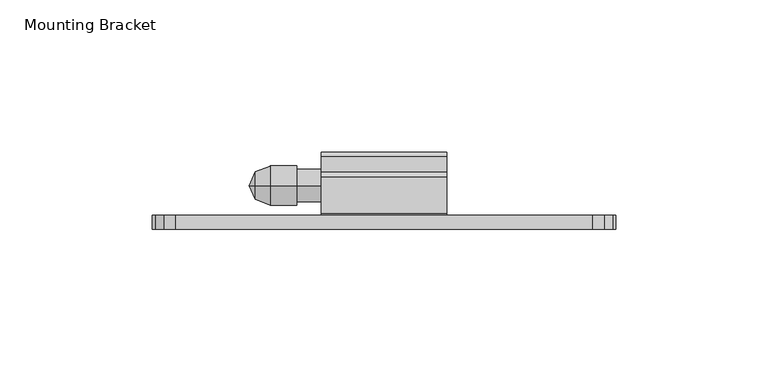
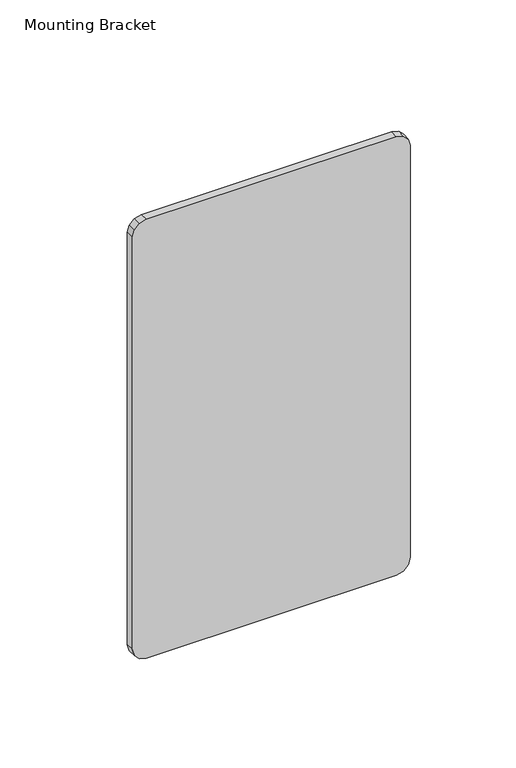
"""IFC4 building model written with IfcOpenShell, lengths in millimetres: furniture geometry, Mounting Bracket."""

from ifc_helpers import new_model, si_unit, frame, origin, place, context, project, spatial, polyline, circle_curve, outline, extrude, source, transform, mapped, element, save
from ifc_brep_helpers import plane_surface, cylinder_surface, revolved_surface, advanced_brep


def mounting_bracket_0c34e352(model_context):
    return source(origin(), model_context, "Body", "SolidModel", [
        extrude(outline(polyline([(1404.3981125, 636.9192799), (1404.3981125, 499.7592835), (1403.3772241, 495.9492826), (1400.5881116, 493.1601678), (1396.7781107, 492.1392863), (1158.0181158, 492.1392863), (1154.2081195, 493.1601678), (1151.418991, 495.9492826), (1150.3981049, 499.7592835), (1150.3981049, 636.9192799), (1151.418991, 640.7292808), (1154.2081195, 643.5183956), (1158.0181158, 644.5392817), (1396.7781107, 644.5392817), (1400.5881116, 643.5183956), (1403.3772241, 640.7292808), (1404.3981125, 636.9192799)])), frame((0.0, -1267.5959292, 0.0), z_axis=(0.0, 1.0, 0.0), x_axis=(0.0, 0.0, 1.0)), (0.0, 0.0, 1.0), 4.5973995),
        advanced_brep(
        [(526.0628515, -1253.1852, 1330.2200571), (526.0628515, -1253.1852, 1339.3740087), (530.8753712, -1253.1852, 1341.269855), (530.8753712, -1253.1852, 1328.3242108), (539.6258568, -1253.1852, 1341.269855), (539.6258568, -1253.1852, 1328.3242108), (539.6258568, -1253.1852, 1340.1598483), (539.6258568, -1253.1852, 1329.4342175), (547.6881167, -1253.1852, 1340.1598483), (547.6881167, -1253.1852, 1329.4342175), (547.6881167, -1253.1852, 1334.7970329), (524.0694412, -1253.1852, 1334.7970329)],
        [
            (0, 1, circle_curve(frame((526.0628515, -1253.1852, 1334.7970329), z_axis=(1.0, 0.0, 0.0), x_axis=(0.0, 0.0, 1.0)), 4.5769758)),
            (1, 2),
            (2, 3, circle_curve(frame((530.8753712, -1253.1852, 1334.7970329), z_axis=(-1.0, 0.0, 0.0), x_axis=(0.0, 0.0, 1.0)), 6.4728221)),
            (3, 0),
            (1, 0, circle_curve(frame((526.0628515, -1253.1852, 1334.7970329), z_axis=(1.0, 0.0, 0.0), x_axis=(0.0, 0.0, 1.0)), 4.5769758)),
            (3, 2, circle_curve(frame((530.8753712, -1253.1852, 1334.7970329), z_axis=(-1.0, 0.0, 0.0), x_axis=(0.0, 0.0, 1.0)), 6.4728221)),
            (2, 4),
            (4, 5, circle_curve(frame((539.6258568, -1253.1852, 1334.7970329), z_axis=(-1.0, 0.0, 0.0), x_axis=(0.0, 0.0, 1.0)), 6.4728221)),
            (5, 3),
            (5, 4, circle_curve(frame((539.6258568, -1253.1852, 1334.7970329), z_axis=(-1.0, 0.0, 0.0), x_axis=(0.0, 0.0, 1.0)), 6.4728221)),
            (4, 6),
            (6, 7, circle_curve(frame((539.6258568, -1253.1852, 1334.7970329), z_axis=(-1.0, 0.0, 0.0), x_axis=(0.0, 0.0, 1.0)), 5.3628154)),
            (7, 5),
            (7, 6, circle_curve(frame((539.6258568, -1253.1852, 1334.7970329), z_axis=(-1.0, 0.0, 0.0), x_axis=(0.0, 0.0, 1.0)), 5.3628154)),
            (6, 8),
            (8, 9, circle_curve(frame((547.6881167, -1253.1852, 1334.7970329), z_axis=(-1.0, 0.0, 0.0), x_axis=(0.0, 0.0, 1.0)), 5.3628154)),
            (9, 7),
            (9, 8, circle_curve(frame((547.6881167, -1253.1852, 1334.7970329), z_axis=(-1.0, 0.0, 0.0), x_axis=(0.0, 0.0, 1.0)), 5.3628154)),
            (8, 10),
            (10, 9),
            (11, 1),
            (0, 11),
        ],
        [
            revolved_surface(polyline([(530.8753712, -1253.1852, 1341.269855), (526.0628515, -1253.1852, 1339.3740087)]), (524.0694412, -1253.1852, 1334.7970329), (-1.0, 0.0, 0.0)),
            cylinder_surface(frame((524.0694412, -1253.1852, 1334.7970329), z_axis=(-1.0, 0.0, 0.0), x_axis=(0.0, 0.0, 1.0)), 6.4728221),
            plane_surface(frame((539.6258568, -1253.1852, 1334.7970329), z_axis=(1.0, 0.0, 0.0), x_axis=(0.0, 0.0, 1.0))),
            cylinder_surface(frame((524.0694412, -1253.1852, 1334.7970329), z_axis=(-1.0, 0.0, 0.0), x_axis=(0.0, 0.0, 1.0)), 5.3628154),
            plane_surface(frame((547.6881167, -1253.1852, 1334.7970329), z_axis=(1.0, 0.0, 0.0), x_axis=(0.0, 0.0, 1.0))),
            revolved_surface(polyline([(526.0628515, -1253.1852, 1339.3740087), (524.0694412, -1253.1852, 1334.7970329)]), (524.0694412, -1253.1852, 1334.7970329), (-1.0, 0.0, 0.0)),
        ],
        [
            (0, [[1, 2, 3, 4]]),
            (0, [[5, -4, 6, -2]]),
            (1, [[-3, 7, 8, 9]]),
            (1, [[-6, -9, 10, -7]]),
            (2, [[-8, 11, 12, 13]]),
            (2, [[-10, -13, 14, -11]]),
            (3, [[-12, 15, 16, 17]]),
            (3, [[-14, -17, 18, -15]]),
            (4, [[-16, 19, 20]]),
            (4, [[-18, -20, -19]]),
            (5, [[21, -1, 22]]),
            (5, [[-22, -5, -21]]),
        ],
    ),
        extrude(outline(polyline([(-1250.3046945, 1385.3735118), (-1248.7298945, 1383.7987112), (-1248.7298945, 1379.0489115), (-1249.5126046, 1376.6845541), (-1251.5515106, 1375.2542803), (-1254.041105, 1375.3231465), (-1255.997826, 1376.8639459), (-1257.4420942, 1376.429754), (-1257.4420942, 1346.6953437), (-1256.8467817, 1346.1000312), (-1243.7705444, 1346.1000312), (-1242.1957445, 1344.5252318), (-1242.1957445, 1325.09931), (-1243.7705444, 1323.5245106), (-1261.4235441, 1323.5245106), (-1262.9985297, 1325.0994962), (-1262.9985297, 1384.7746541), (-1262.399672, 1385.3735118), (-1250.3046945, 1385.3735118)])), frame((547.6881145, 0.0, 0.0), z_axis=(1.0, 0.0, 0.0), x_axis=(0.0, 1.0, 0.0)), (0.0, 0.0, 1.0), 41.2750015),
    ])


if __name__ == "__main__":
    model = new_model("IFC4")
    model_context = context("Model", 3, world=origin())
    ifc_project = project(units=[si_unit("LENGTHUNIT", "METRE", prefix="MILLI")], contexts=[model_context])
    site = spatial("IfcSite", under=ifc_project)
    building = spatial("IfcBuilding", under=site)
    placement = place(None, origin())
    mounting_bracket_shape = mounting_bracket_0c34e352(model_context)
    element("IfcFurniture", 1, ObjectType="Mounting Bracket", at=placement, inside=building, context=model_context, shape_type="MappedRepresentation", body=[
        mapped(mounting_bracket_shape, transform((0.0, 0.0, 0.0), x_axis=(1.0, 0.0, 0.0), y_axis=(0.0, 1.0, 0.0), z_axis=(0.0, 0.0, 1.0))),
    ])
    save(model, "model.ifc")
